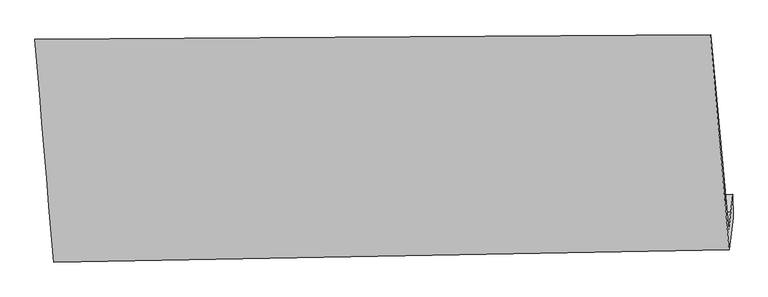
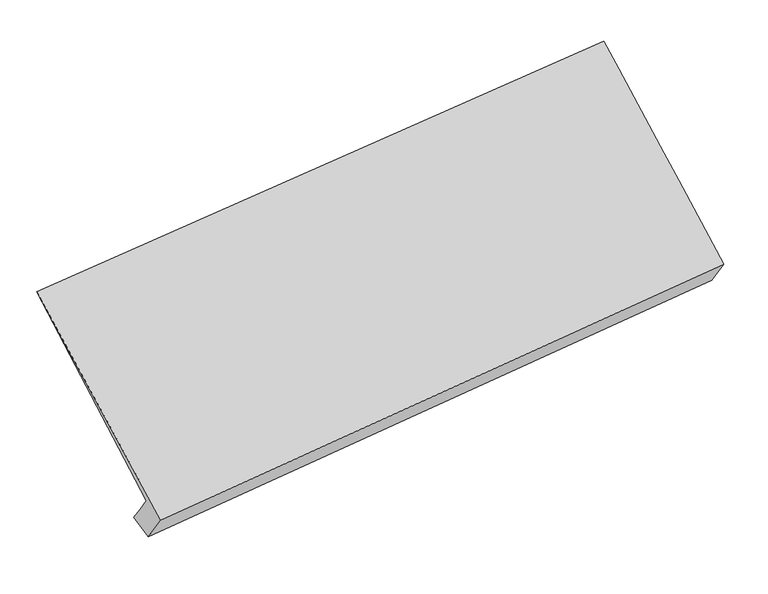
"""IFC4 building model written with IfcOpenShell, lengths in millimetres: proxy geometry."""

from ifc_helpers import new_model, si_unit, frame, origin, place, context, project, spatial, source, transform, mapped, element, save
from ifc_brep_helpers import plane_surface, spline_surface, advanced_brep


def generic_models_a6fd72f7(model_context):
    return source(origin(), model_context, "Body", "AdvancedBrep", [
        advanced_brep(
        [(-5238.519029, -1593.3711817, 1287.3526615), (-5252.7035655, -1709.5391667, 1436.1896201), (-416.8330947, -1667.7589886, 1947.1437281), (-401.6194953, -1543.1632232, 1787.5089132), (-5230.4847764, -1791.2798, 1229.5221634), (-400.3737097, -1709.1344317, 1792.1221432), (-5259.2308874, -2026.7036215, 1531.1523034), (-428.6026887, -1940.3230652, 2088.3260679), (-5392.5734277, -432.2828244, 2660.6230553), (-559.8538248, -402.8826217, 3203.2912635), (-5266.888102, -1825.7071517, 1585.0265787), (-432.046694, -1792.354754, 2106.778543)],
        [
            (0, 1),
            (1, 2),
            (2, 3),
            (3, 0),
            (4, 0),
            (3, 5),
            (5, 4),
            (6, 4),
            (5, 7),
            (7, 6),
            (8, 6),
            (7, 9),
            (9, 8),
            (10, 8),
            (9, 11),
            (11, 10),
            (1, 10),
            (11, 2),
        ],
        [
            plane_surface(frame((-5245.6112973, -1651.4551742, 1361.7711408), z_axis=(-0.07121997977322256, 0.7895882189766371, 0.6094900810795892), x_axis=(-0.07491672682235125, -0.6135501994814337, 0.7860939109028374))),
            spline_surface(1, 1, [[(-5230.4847764, -1791.2798, 1229.5221634), (-400.3737097, -1709.1344317, 1792.1221432)], [(-5238.519029, -1593.3711817, 1287.3526615), (-401.6194953, -1543.1632232, 1787.5089132)]], [2, 2], [2, 2], [0.0, 1.0], [0.0, 1.0]),
            plane_surface(frame((-5244.8578319, -1908.9917108, 1380.3372334), z_axis=(0.08425382981419274, -0.7893850024739376, -0.6080893109000213), x_axis=(0.07491672682235168, 0.6135501994814333, -0.7860939109028378))),
            spline_surface(1, 1, [[(-5392.5734277, -432.2828244, 2660.6230553), (-559.8538248, -402.8826217, 3203.2912635)], [(-5259.2308874, -2026.7036215, 1531.1523034), (-428.6026887, -1940.3230652, 2088.3260679)]], [2, 2], [2, 2], [0.0, 1.0], [0.0, 1.0]),
            spline_surface(1, 1, [[(-5266.888102, -1825.7071517, 1585.0265787), (-432.046694, -1792.354754, 2106.778543)], [(-5392.5734277, -432.2828244, 2660.6230553), (-559.8538248, -402.8826217, 3203.2912635)]], [2, 2], [2, 2], [0.0, 1.0], [0.0, 1.0]),
            plane_surface(frame((-5259.7958338, -1767.6231592, 1510.6080994), z_axis=(-0.07121997977322292, 0.7895882189766347, 0.6094900810795922), x_axis=(-0.0749167268223096, -0.6135501994814364, 0.7860939109028394))),
            plane_surface(frame((-444.4992825, -1477.5716192, 2195.6053862), z_axis=(0.9946432518864876, 0.010324590529181554, 0.10285039770014472), x_axis=(0.0689450582523552, -0.807603835459133, -0.5856813330594353))),
            plane_surface(frame((-5277.5392445, -1533.8689159, 1658.7353525), z_axis=(-0.9946432518864865, -0.01032459052922742, -0.102850397700152), x_axis=(0.07491672682232922, 0.613550199481436, -0.7860939109028379))),
        ],
        [
            (0, [[1, 2, 3, 4]]),
            (1, [[5, -4, 6, 7]]),
            (2, [[8, -7, 9, 10]]),
            (3, [[11, -10, 12, 13]]),
            (4, [[14, -13, 15, 16]]),
            (5, [[17, -16, 18, -2]]),
            (6, [[-12, -9, -6, -3, -18, -15]]),
            (7, [[-1, -5, -8, -11, -14, -17]]),
        ],
    ),
    ])


if __name__ == "__main__":
    model = new_model("IFC4")
    model_context = context("Model", 3, world=origin())
    ifc_project = project(units=[si_unit("LENGTHUNIT", "METRE", prefix="MILLI")], contexts=[model_context])
    site = spatial("IfcSite", under=ifc_project)
    building = spatial("IfcBuilding", under=site)
    placement = place(None, origin())
    generic_models_shape = generic_models_a6fd72f7(model_context)
    element("IfcBuildingElementProxy", 1, Name="Generic Models", at=placement, inside=building, context=model_context, shape_type="MappedRepresentation", body=[
        mapped(generic_models_shape, transform((0.0, 0.0, 0.0), x_axis=(1.0, 0.0, 0.0), y_axis=(0.0, 1.0, 0.0), z_axis=(0.0, 0.0, 1.0))),
    ])
    save(model, "model.ifc")
